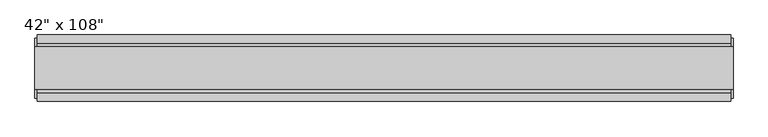
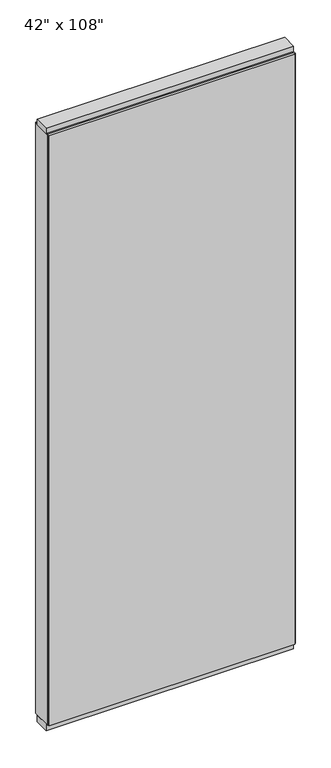
"""IFC4 building model written with IfcOpenShell, lengths in millimetres: furniture geometry."""

from ifc_helpers import new_model, si_unit, frame, origin, origin_with_axes, place, context, project, spatial, polyline, outline, extrude, source, transform, mapped, element, save


def furniture_148b0a70(model_context):
    return source(origin(), model_context, "Body", "SweptSolid", [
        extrude(outline(polyline([(469.4264771, 46.2822784), (469.4264771, 33.5822784), (-589.4995229, 33.5822784), (-589.4995229, 46.2822784), (469.4264771, 46.2822784)])), frame((0.0, 0.0, 31.75), z_axis=(0.0, 0.0, 1.0), x_axis=(1.0, 0.0, 0.0)), (0.0, 0.0, 1.0), 2686.05),
        extrude(outline(polyline([(469.4264771, -55.3177216), (-589.4995229, -55.3177216), (-589.4995229, -42.6177216), (469.4264771, -42.6177216), (469.4264771, -55.3177216)])), frame((0.0, 0.0, 31.75), z_axis=(0.0, 0.0, 1.0), x_axis=(1.0, 0.0, 0.0)), (0.0, 0.0, 1.0), 2686.05),
        extrude(outline(polyline([(-42.6177216, 2681.478), (-42.6177216, 2717.8), (33.5822784, 2717.8), (33.5822784, 2681.478), (28.6292784, 2681.478), (28.6292784, 2676.525), (-37.6647216, 2676.525), (-37.6647216, 2681.478), (-42.6177216, 2681.478)])), frame((-589.4995229, 0.0, 0.0), z_axis=(1.0, 0.0, 0.0), x_axis=(0.0, 1.0, 0.0)), (0.0, 0.0, 1.0), 1058.926),
        extrude(outline(polyline([(473.3634771, 27.9942784), (473.3634771, -37.0297216), (-593.4365229, -37.0297216), (-593.4365229, 27.9942784), (473.3634771, 27.9942784)])), origin_with_axes(), (0.0, 0.0, 1.0), 31.75),
        extrude(outline(polyline([(-593.4365229, -37.0297216), (-593.4365229, 27.9942784), (473.3634771, 27.9942784), (473.3634771, -37.0297216), (-593.4365229, -37.0297216)])), frame((0.0, 0.0, 2717.8), z_axis=(0.0, 0.0, 1.0), x_axis=(1.0, 0.0, 0.0)), (0.0, 0.0, 1.0), 25.4),
        extrude(outline(polyline([(473.3634771, -50.3647216), (469.4264771, -50.3647216), (469.4264771, 41.3292784), (473.3634771, 41.3292784), (473.3634771, -50.3647216)])), frame((0.0, 0.0, 31.75), z_axis=(0.0, 0.0, 1.0), x_axis=(1.0, 0.0, 0.0)), (0.0, 0.0, 1.0), 2686.05),
        extrude(outline(polyline([(-593.4365229, -50.3647216), (-593.4365229, 41.3292784), (-589.4995229, 41.3292784), (-589.4995229, -50.3647216), (-593.4365229, -50.3647216)])), frame((0.0, 0.0, 31.75), z_axis=(0.0, 0.0, 1.0), x_axis=(1.0, 0.0, 0.0)), (0.0, 0.0, 1.0), 2686.05),
    ])


if __name__ == "__main__":
    model = new_model("IFC4")
    model_context = context("Model", 3, world=origin())
    ifc_project = project(units=[si_unit("LENGTHUNIT", "METRE", prefix="MILLI")], contexts=[model_context])
    site = spatial("IfcSite", under=ifc_project)
    building = spatial("IfcBuilding", under=site)
    placement = place(None, origin())
    furniture_shape = furniture_148b0a70(model_context)
    element("IfcFurniture", 1, ObjectType="42\" x 108\"", at=placement, inside=building, context=model_context, shape_type="MappedRepresentation", body=[
        mapped(furniture_shape, transform((0.0, 0.0, 0.0), x_axis=(1.0, 0.0, 0.0), y_axis=(0.0, 1.0, 0.0), z_axis=(0.0, 0.0, 1.0))),
    ])
    save(model, "model.ifc")
